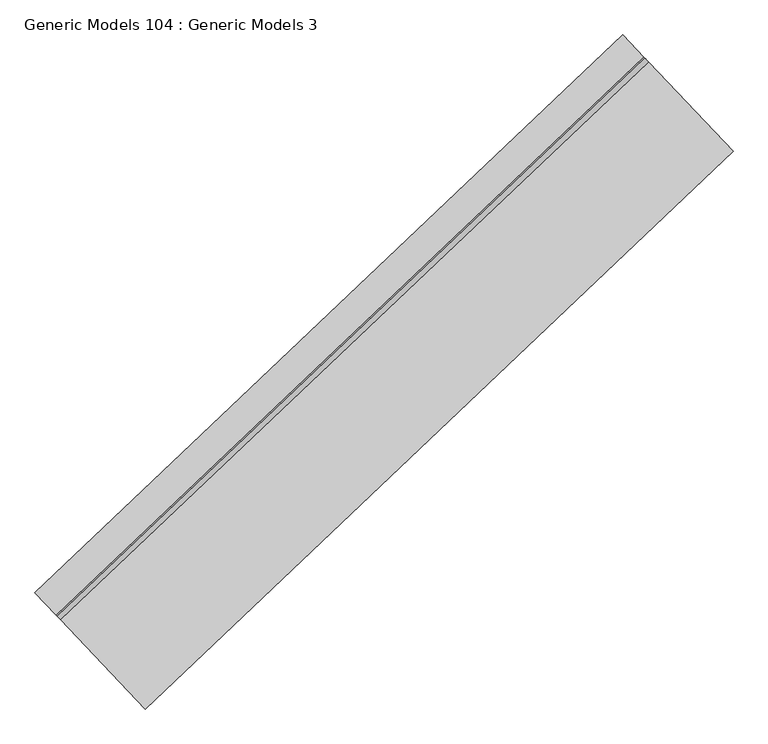
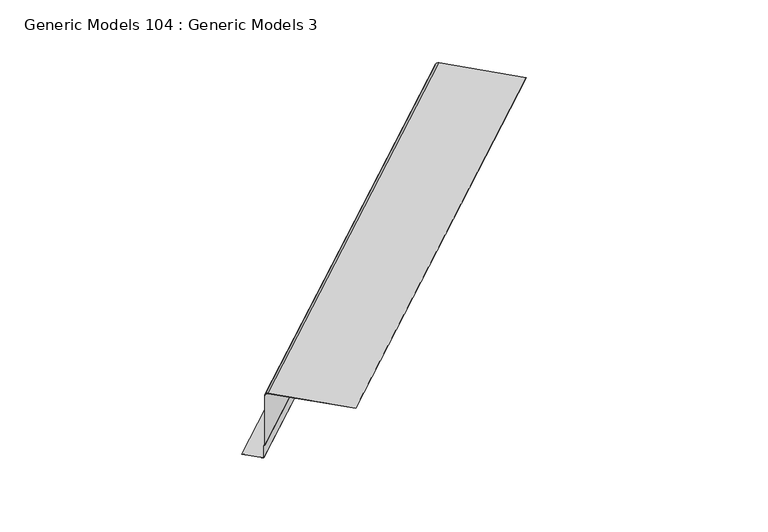
"""IFC4 building model written with IfcOpenShell, lengths in millimetres: proxy geometry, Generic Models 104 : Generic Models 3."""

from ifc_helpers import new_model, si_unit, point, frame, frame_2d, origin, place, context, project, spatial, polyline, circle_curve, trimmed, segment, composite_curve, outline, extrude, source, transform, mapped, element, save


def generic_models_104_generic_models_3_dc18f4d1(model_context):
    return source(origin(), model_context, "Body", "SweptSolid", [
        extrude(outline(composite_curve([segment(polyline([(469.7738936, 0.0), (469.7738936, 172.7294718), (471.3613936, 172.7294718), (471.3613936, -1.5874999), (360.6355344, -1.5874999), (353.2570099, -8.9660245), (-100.6117237, -8.9660245)]), True, "CONTINUOUS"), segment(trimmed(circle_curve(frame_2d((-100.6117237, -37.5156169)), 28.5495923), [point((-100.6117237, -8.9660245))], [point((-129.161316, -37.5156169))], True, "CARTESIAN"), True, "CONTINUOUS"), segment(polyline([(-129.161316, -37.5156169), (-129.161316, -723.8035072), (-130.748816, -723.8035072), (-130.748816, -37.5156169)]), True, "CONTINUOUS"), segment(trimmed(circle_curve(frame_2d((-100.6117237, -37.5156169)), 30.1370923), [point((-130.748816, -37.5156169))], [point((-100.6117237, -7.3785245))], False, "CARTESIAN"), True, "CONTINUOUS"), segment(polyline([(-100.6117237, -7.3785245), (352.5994458, -7.3785245), (359.9779704, 0.0), (469.7738936, 0.0)]), True, "CONTINUOUS")], self_intersect=False)), frame((101855.7669569, 42695.6724981, 17882.8814515), z_axis=(0.7253743710122986, 0.6883545756937424, 0.0), x_axis=(0.0, 0.0, -1.0)), (0.0, 0.0, 1.0), 4530.725),
    ])


if __name__ == "__main__":
    model = new_model("IFC4")
    model_context = context("Model", 3, world=origin())
    ifc_project = project(units=[si_unit("LENGTHUNIT", "METRE", prefix="MILLI")], contexts=[model_context])
    site = spatial("IfcSite", under=ifc_project)
    building = spatial("IfcBuilding", under=site)
    placement = place(None, origin())
    generic_models_104_generic_models_3_shape = generic_models_104_generic_models_3_dc18f4d1(model_context)
    element("IfcBuildingElementProxy", 1, Name="Generic Models 104 : Generic Models 3", ObjectType="Generic Models 104 : Generic Models 3", at=placement, inside=building, context=model_context, shape_type="MappedRepresentation", body=[
        mapped(generic_models_104_generic_models_3_shape, transform((0.0, 0.0, 0.0), x_axis=(1.0, 0.0, 0.0), y_axis=(0.0, 1.0, 0.0), z_axis=(0.0, 0.0, 1.0))),
    ])
    save(model, "model.ifc")
